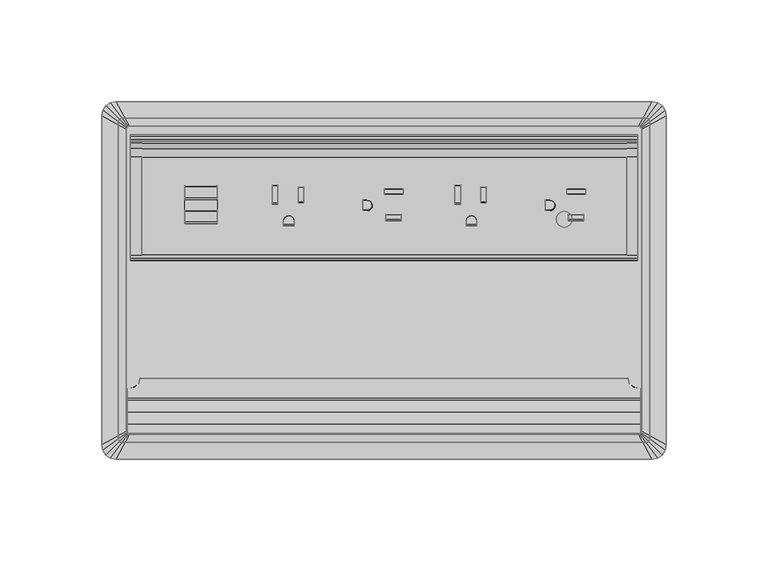
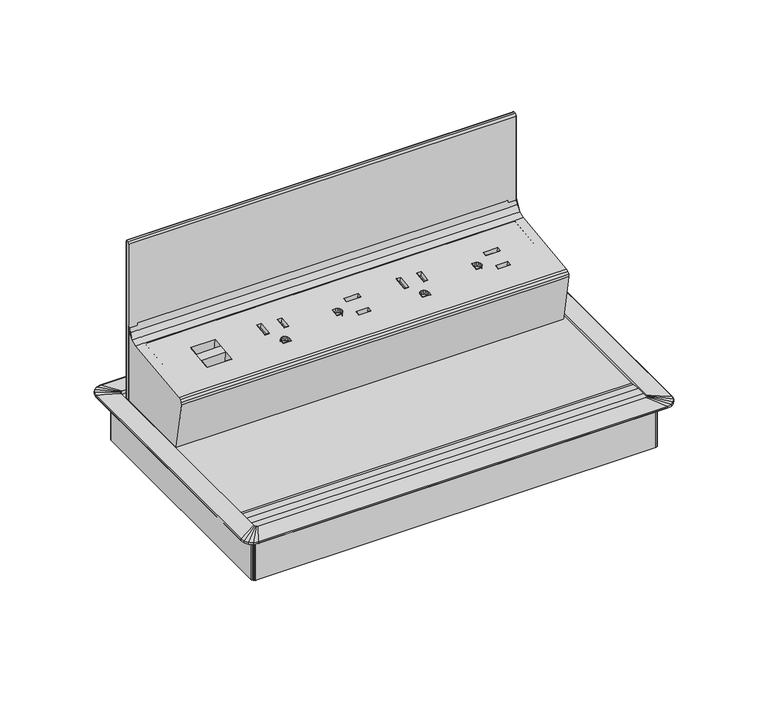
"""IFC4 building model written with IfcOpenShell, lengths in millimetres: furniture geometry."""

from ifc_helpers import new_model, si_unit, origin, place, context, project, spatial, triangles, source, transform, mapped, element, save


def furniture_7f362575(model_context):
    return source(origin(), model_context, "Body", "Tessellation", [
        triangles([(-134.9423265, -3.8735, 0.254), (134.9423265, -3.8735, 0.254), (134.9423265, -155.8620162, 0.254), (-134.9423265, -155.8620162, 0.254)], [[1, 2, 3], [1, 3, 4]], closed=False),
        triangles([(-132.0979053, -168.0413236, 0.508), (-132.0979053, -168.0413236, 1.778), (-134.7758123, -167.5086526, 1.778), (-134.7758123, -167.5086526, 0.508), (-137.0460317, -165.9917394, 1.778), (-137.0460317, -165.9917394, 0.508), (-138.5629358, -163.7215292, 1.778), (-138.5629358, -163.7215292, 0.508), (-139.0956068, -161.0436221, 1.778), (-139.0956068, -161.0436221, 0.508), (-132.0979053, 8.3057998, 0.508), (-132.0979053, 8.3057998, 1.778), (-134.7758123, 7.7731317, 1.778), (-134.7758123, 7.7731317, 0.508), (-137.0460317, 6.2562213, 1.778), (-137.0460317, 6.2562213, 0.508), (-138.5629358, 3.9860039, 1.778), (-138.5629358, 3.9860039, 0.508), (-139.0956068, 1.3081, 1.778), (-139.0956068, 1.3081, 0.508), (132.0979053, 8.3057998, 0.508), (132.0979053, 8.3057998, 1.778), (134.7758123, 7.7731317, 1.778), (134.7758123, 7.7731317, 0.508), (137.0460317, 6.2562213, 1.778), (137.0460317, 6.2562213, 0.508), (138.5629358, 3.9860039, 1.778), (138.5629358, 3.9860039, 0.508), (139.0956068, 1.3081, 1.778), (139.0956068, 1.3081, 0.508), (134.7758123, -167.5086526, 1.778), (132.0979053, -168.0413236, 1.778), (132.0979053, -168.0413236, 0.508), (134.7758123, -167.5086526, 0.508), (137.0460317, -165.9917394, 1.778), (137.0460317, -165.9917394, 0.508), (138.5629358, -163.7215292, 1.778), (138.5629358, -163.7215292, 0.508), (139.0956068, -161.0436221, 1.778), (139.0956068, -161.0436221, 0.508), (125.9755137, -155.7460167, 2.6923999), (125.3923099, -155.8620162, 2.6923999), (126.4699421, -155.415659, 2.6923999), (126.8002999, -154.9212306, 2.6923999), (126.9163084, -154.3380176, 2.6923999), (-125.3923099, -155.8620162, 2.6923999), (-125.9755137, -155.7460167, 2.6923999), (-126.4699421, -155.415659, 2.6923999), (-126.8002999, -154.9212306, 2.6923999), (-126.9163084, -154.3380176, 2.6923999), (-130.7898093, -1.524, 0.508), (-130.6738007, -0.9407904, 0.508), (-130.3434339, -0.4463693, 0.508), (-129.8490146, -0.1160076, 0.508), (-129.2658107, 0.0, 0.508), (-126.9163084, -5.3975, 2.6923999), (-126.8002999, -4.8142904, 2.6923999), (-126.4699421, -4.3198694, 2.6923999), (-125.9755137, -3.9895077, 2.6923999), (-125.3923099, -3.8735, 2.6923999), (125.3923099, -3.8735, 2.6923999), (125.9755137, -3.9895077, 2.6923999), (126.4699421, -4.3198694, 2.6923999), (126.8002999, -4.8142904, 2.6923999), (126.9163084, -5.3975, 2.6923999), (129.2658107, -159.7355261, 0.508), (129.8490146, -159.6195085, 0.508), (130.3434339, -159.2891507, 0.508), (130.6738007, -158.7947223, 0.508), (130.7898093, -158.2115275, 0.508), (-130.7898093, -158.2115275, 0.508), (-130.6738007, -158.7947223, 0.508), (-130.3434339, -159.2891507, 0.508), (-129.8490146, -159.6195085, 0.508), (-129.2658107, -159.7355261, 0.508), (129.8490146, -0.1160076, 0.508), (129.2658107, 0.0, 0.508), (130.3434339, -0.4463693, 0.508), (130.6738007, -0.9407904, 0.508), (130.7898093, -1.524, 0.508), (130.7898093, -158.2115275, -30.4800005), (130.7898093, -1.524, -30.4800005), (130.6738007, -0.9407904, -30.4800005), (130.3434339, -0.4463693, -30.4800005), (129.8490146, -0.1160076, -30.4800005), (129.2658107, 0.0, -30.4800005), (129.2658107, -159.7355261, -30.4800005), (129.8490146, -159.6195085, -30.4800005), (130.3434339, -159.2891507, -30.4800005), (130.6738007, -158.7947223, -30.4800005), (-130.7898093, -158.2115275, -30.4800005), (-130.6738007, -158.7947223, -30.4800005), (-130.3434339, -159.2891507, -30.4800005), (-129.8490146, -159.6195085, -30.4800005), (-129.2658107, -159.7355261, -30.4800005), (-129.2658107, 0.0, -30.4800005), (-130.7898093, -1.524, -30.4800005), (-130.6738007, -0.9407904, -30.4800005), (-130.3434339, -0.4463693, -30.4800005), (-129.8490146, -0.1160076, -30.4800005), (126.9163084, -5.3975, -30.4800005), (126.8002999, -4.8142904, -30.4800005), (126.4699421, -4.3198694, -30.4800005), (125.9755137, -3.9895077, -30.4800005), (125.3923099, -3.8735, -30.4800005), (-125.3923099, -3.8735, -30.4800005), (126.9163084, -154.3380176, -30.4800005), (-126.9163084, -5.3975, -30.4800005), (-126.8002999, -4.8142904, -30.4800005), (-126.4699421, -4.3198694, -30.4800005), (-125.9755137, -3.9895077, -30.4800005), (-126.9163084, -154.3380176, -30.4800005), (125.3923099, -155.8620162, -30.4800005), (-125.3923099, -155.8620162, -30.4800005), (-125.9755137, -155.7460167, -30.4800005), (-126.4699421, -155.415659, -30.4800005), (-126.8002999, -154.9212306, -30.4800005), (126.8002999, -154.9212306, -30.4800005), (126.4699421, -155.415659, -30.4800005), (125.9755137, -155.7460167, -30.4800005), (126.4945409, -149.595838, 0.1368504), (-126.4945409, -149.595838, 0.1368504), (-126.4945409, -144.1407203, -0.004294), (126.4945409, -144.1407203, -0.004294), (-126.4945409, -138.7118548, -0.5571183), (126.4945409, -138.7118548, -0.5571183), (-126.4945409, -133.1702417, -1.5549418), (126.4945409, -133.1702417, -1.5549418), (-126.4945409, -144.8062139, 1.6731391), (-126.4945409, -150.5077009, 1.8986501), (126.4945409, -150.5077009, 1.8986501), (126.4945409, -144.8062139, 1.6731391), (-126.4945409, -139.1403442, 0.9980152), (126.4945409, -139.1403442, 0.9980152), (-126.4945409, -133.1346334, -0.2232637), (126.4945409, -133.1346334, -0.2232637), (126.4945409, -155.234638, 1.8986501), (-126.4945409, -155.234638, 1.8986501), (-126.4945409, -155.234638, -7.5755499), (126.4945409, -155.234638, -7.5755499), (120.017538, -128.0566367, -2.8828355), (120.017538, -128.0566367, -1.6814156), (120.7253527, -130.5956351, -0.9523397), (120.7253527, -130.6134392, -2.2188887), (122.6591373, -132.4543061, -0.418619), (122.6591373, -132.4851454, -1.7328458), (125.3007366, -133.1346334, -0.2232637), (125.3007366, -133.1702417, -1.5549418), (-120.7253527, -130.5956351, -0.9523397), (-120.017538, -128.0566367, -1.6814156), (-120.017538, -128.0566367, -2.8828355), (-120.7253527, -130.6134392, -2.2188887), (-122.6591373, -132.4543061, -0.418619), (-122.6591373, -132.4851454, -1.7328458), (-125.3007366, -133.1346334, -0.2232637), (-125.3007366, -133.1702417, -1.5549418)], [[1, 2, 3], [1, 3, 4], [4, 3, 5], [4, 5, 6], [6, 5, 7], [6, 7, 8], [8, 7, 9], [8, 9, 10], [11, 12, 13], [11, 13, 14], [14, 13, 15], [14, 15, 16], [16, 15, 17], [16, 17, 18], [18, 17, 19], [18, 19, 20], [21, 22, 23], [21, 23, 24], [24, 23, 25], [24, 25, 26], [26, 25, 27], [26, 27, 28], [28, 27, 29], [28, 29, 30], [31, 32, 33], [31, 33, 34], [35, 31, 34], [35, 34, 36], [37, 35, 36], [37, 36, 38], [39, 37, 38], [39, 38, 40], [41, 42, 31], [42, 32, 31], [43, 41, 31], [43, 31, 35], [44, 43, 35], [44, 35, 37], [45, 44, 37], [45, 37, 39], [2, 46, 3], [46, 47, 3], [3, 47, 48], [3, 48, 5], [5, 48, 49], [5, 49, 7], [7, 49, 50], [7, 50, 9], [20, 51, 52], [20, 52, 18], [18, 52, 53], [18, 53, 16], [16, 53, 54], [16, 54, 14], [14, 54, 55], [14, 55, 11], [19, 56, 57], [19, 57, 17], [17, 57, 58], [17, 58, 15], [15, 58, 59], [15, 59, 13], [13, 59, 60], [13, 60, 12], [23, 22, 61], [23, 61, 62], [25, 23, 62], [25, 62, 63], [27, 25, 63], [27, 63, 64], [29, 27, 64], [29, 64, 65], [33, 66, 67], [33, 67, 34], [34, 67, 68], [34, 68, 36], [36, 68, 69], [36, 69, 38], [38, 69, 70], [38, 70, 40], [10, 71, 72], [10, 72, 8], [8, 72, 73], [8, 73, 6], [6, 73, 74], [6, 74, 4], [4, 74, 75], [4, 75, 1], [76, 77, 24], [77, 21, 24], [78, 76, 26], [76, 24, 26], [79, 78, 28], [78, 26, 28], [80, 79, 30], [79, 28, 30], [80, 30, 40], [80, 40, 70], [40, 30, 29], [40, 29, 39], [45, 39, 29], [45, 29, 65], [70, 81, 82], [70, 82, 80], [80, 82, 83], [80, 83, 79], [79, 83, 84], [79, 84, 78], [78, 84, 85], [78, 85, 76], [76, 85, 86], [76, 86, 77], [66, 87, 88], [66, 88, 67], [67, 88, 89], [67, 89, 68], [68, 89, 90], [68, 90, 69], [69, 90, 81], [69, 81, 70], [71, 91, 92], [71, 92, 72], [72, 92, 93], [72, 93, 73], [73, 93, 94], [73, 94, 74], [74, 94, 95], [74, 95, 75], [66, 75, 95], [66, 95, 87], [1, 75, 66], [1, 66, 33], [1, 33, 32], [1, 32, 2], [46, 2, 32], [46, 32, 42], [86, 96, 55], [86, 55, 77], [21, 77, 55], [21, 55, 11], [21, 11, 12], [21, 12, 22], [61, 22, 12], [61, 12, 60], [97, 91, 71], [97, 71, 51], [20, 51, 71], [20, 71, 10], [20, 10, 9], [20, 9, 19], [56, 19, 9], [56, 9, 50], [98, 97, 51], [98, 51, 52], [99, 98, 52], [99, 52, 53], [100, 99, 53], [100, 53, 54], [96, 100, 54], [96, 54, 55], [101, 65, 64], [101, 64, 102], [102, 64, 63], [102, 63, 103], [103, 63, 62], [103, 62, 104], [104, 62, 61], [104, 61, 105], [105, 61, 60], [105, 60, 106], [101, 107, 45], [101, 45, 65], [56, 108, 109], [56, 109, 57], [57, 109, 110], [57, 110, 58], [58, 110, 111], [58, 111, 59], [59, 111, 106], [59, 106, 60], [108, 56, 50], [108, 50, 112], [42, 113, 114], [42, 114, 46], [46, 114, 115], [46, 115, 47], [47, 115, 116], [47, 116, 48], [48, 116, 117], [48, 117, 49], [49, 117, 112], [49, 112, 50], [45, 107, 118], [45, 118, 44], [44, 118, 119], [44, 119, 43], [43, 119, 120], [43, 120, 41], [41, 120, 113], [41, 113, 42], [96, 106, 111], [96, 111, 100], [100, 111, 110], [100, 110, 99], [99, 110, 109], [99, 109, 98], [98, 109, 108], [98, 108, 97], [92, 91, 112], [92, 112, 117], [93, 92, 117], [93, 117, 116], [94, 93, 116], [94, 116, 115], [95, 94, 115], [95, 115, 114], [107, 81, 90], [107, 90, 118], [118, 90, 89], [118, 89, 119], [119, 89, 88], [119, 88, 120], [120, 88, 87], [120, 87, 113], [105, 86, 85], [105, 85, 104], [104, 85, 84], [104, 84, 103], [103, 84, 83], [103, 83, 102], [102, 83, 82], [102, 82, 101], [106, 96, 86], [106, 86, 105], [101, 82, 81], [101, 81, 107], [113, 87, 95], [113, 95, 114], [112, 91, 97], [112, 97, 108], [121, 122, 123], [121, 123, 124], [124, 123, 125], [124, 125, 126], [126, 125, 127], [126, 127, 128], [129, 130, 131], [129, 131, 132], [133, 129, 132], [133, 132, 134], [135, 133, 134], [135, 134, 136], [137, 131, 130], [137, 130, 138], [137, 138, 139], [137, 139, 140], [141, 142, 143], [141, 143, 144], [144, 143, 145], [144, 145, 146], [146, 145, 147], [146, 147, 148], [149, 150, 151], [149, 151, 152], [153, 149, 152], [153, 152, 154], [155, 153, 154], [155, 154, 156], [143, 142, 150], [143, 150, 149], [145, 143, 149], [145, 149, 153], [147, 145, 153], [147, 153, 155], [152, 151, 141], [152, 141, 144], [154, 152, 144], [154, 144, 146], [156, 154, 146], [156, 146, 148], [147, 136, 128], [147, 128, 148], [155, 156, 127], [155, 127, 135], [126, 128, 136], [126, 136, 134], [126, 134, 132], [126, 132, 124], [121, 124, 132], [121, 132, 131], [121, 131, 137], [121, 137, 140], [139, 138, 130], [139, 130, 122], [123, 122, 130], [123, 130, 129], [123, 129, 133], [123, 133, 125], [127, 125, 133], [127, 133, 135], [150, 142, 151], [142, 141, 151]], closed=False),
        triangles([(-82.2362595, -45.5992198, 39.4151859), (-82.2362595, -39.9615097, 40.1074129), (-98.1112625, -45.5992198, 39.4151859), (-98.1112625, -39.9615097, 40.1074129), (-98.1112625, -44.7324849, 32.3561986), (-98.1112625, -51.0352933, 31.5823133), (-82.2362595, -44.7324849, 32.3561986), (-82.2362595, -51.0351525, 31.5823292), (-98.1112625, -32.7921072, 33.8222928), (-98.1112625, -39.0949157, 33.0484052), (-82.2362595, -32.7921072, 33.8222928), (-82.2362595, -39.0947749, 33.0484233), (-82.2362595, -51.9018874, 38.6413187), (-98.1112625, -51.9018874, 38.6413187), (-82.2362595, -33.6588421, 40.8812801), (-98.1112625, -33.6588421, 40.8812801)], [[1, 2, 3], [2, 4, 3], [5, 6, 7], [6, 8, 7], [9, 10, 11], [10, 12, 11], [7, 8, 13], [7, 13, 1], [7, 1, 3], [7, 3, 5], [6, 5, 14], [5, 3, 14], [6, 14, 8], [14, 13, 8], [11, 12, 2], [11, 2, 15], [11, 15, 16], [11, 16, 9], [10, 9, 4], [9, 16, 4], [10, 4, 12], [4, 2, 12]], closed=False),
        triangles([(-42.3011607, -33.9621303, 40.8464893), (-42.3011607, -33.6062268, 37.947904), (-39.456358, -33.6062268, 37.947904), (-39.456358, -33.9621303, 40.8464893), (-42.3011607, -41.5757508, 39.9116536), (-42.3011607, -41.2198495, 37.0130683), (-39.456358, -41.5757508, 39.9116536), (-39.456358, -41.2198495, 37.0130683), (-44.2823579, -50.5759645, 38.8065702), (-44.2823579, -50.2200587, 35.9079804), (-44.2823579, -52.4638126, 35.6324839), (-44.2823579, -52.8197138, 38.5310693), (-44.4815055, -49.5822479, 38.9285831), (-44.4815055, -49.2263467, 36.0299933), (-45.0486266, -48.7398211, 39.0320198), (-45.0486266, -48.3839153, 36.1334322), (-45.8973847, -48.176924, 39.1011335), (-45.8973847, -47.8210227, 36.2025459), (-46.8985591, -47.9792616, 39.1254053), (-46.8985591, -47.6233604, 36.2268154), (-47.899738, -48.176924, 39.1011335), (-47.899738, -47.8210227, 36.2025459), (-48.7484916, -48.7398211, 39.0320198), (-48.7484916, -48.3839153, 36.1334322), (-49.3156126, -49.5822479, 38.9285831), (-49.3156126, -49.2263467, 36.0299933), (-49.5147602, -50.5759645, 38.8065702), (-49.5147602, -50.2200587, 35.9079804), (-49.5147602, -52.8197138, 38.5310693), (-49.5147602, -52.4638126, 35.6324839), (-52.2071604, -42.2312295, 39.8311716), (-52.2071604, -41.8753282, 36.9325862), (-55.0519585, -41.8753282, 36.9325862), (-55.0519585, -42.2312295, 39.8311716), (-52.2071604, -33.0545458, 40.9579288), (-52.2071604, -32.6986446, 38.0593411), (-55.0519585, -33.0545458, 40.9579288), (-55.0519585, -32.6986446, 38.0593411), (47.6148398, -33.9621303, 40.8464893), (47.6148398, -33.6062268, 37.947904), (50.459638, -33.6062268, 37.947904), (50.459638, -33.9621303, 40.8464893), (47.6148398, -41.5757508, 39.9116536), (47.6148398, -41.2198495, 37.0130683), (50.459638, -41.5757508, 39.9116536), (50.459638, -41.2198495, 37.0130683), (45.6336381, -50.5759645, 38.8065702), (45.6336381, -50.2200587, 35.9079804), (45.6336381, -52.4638126, 35.6324839), (45.6336381, -52.8197138, 38.5310693), (45.4344951, -49.5822479, 38.9285831), (45.4344951, -49.2263467, 36.0299933), (44.867374, -48.7398211, 39.0320198), (44.867374, -48.3839153, 36.1334322), (44.0186158, -48.176924, 39.1011335), (44.0186158, -47.8210227, 36.2025459), (43.0174415, -47.9792616, 39.1254053), (43.0174415, -47.6233604, 36.2268154), (42.0162626, -48.176924, 39.1011335), (42.0162626, -47.8210227, 36.2025459), (41.167509, -48.7398211, 39.0320198), (41.167509, -48.3839153, 36.1334322), (40.6003879, -49.5822479, 38.9285831), (40.6003879, -49.2263467, 36.0299933), (40.4012403, -50.5759645, 38.8065702), (40.4012403, -50.2200587, 35.9079804), (40.4012403, -52.8197138, 38.5310693), (40.4012403, -52.4638126, 35.6324839), (37.7088402, -42.2312295, 39.8311716), (37.7088402, -41.8753282, 36.9325862), (34.8640397, -41.8753282, 36.9325862), (34.8640397, -42.2312295, 39.8311716), (37.7088402, -33.0545458, 40.9579288), (37.7088402, -32.6986446, 38.0593411), (34.8640397, -33.0545458, 40.9579288), (34.8640397, -32.6986446, 38.0593411), (8.4480399, -47.5097908, 39.1936787), (8.4480399, -47.1538896, 36.2950888), (8.4480399, -50.3333876, 38.8469838), (8.4480399, -49.9774863, 35.9483962), (0.77724, -47.5097908, 39.1936787), (0.77724, -47.1538896, 36.2950888), (0.77724, -50.3333876, 38.8469838), (0.77724, -49.9774863, 35.9483962), (-8.2905601, -45.5433593, 39.4351247), (-8.2905601, -45.187458, 36.5365371), (-10.5511603, -45.5433593, 39.4351247), (-10.5511603, -45.187458, 36.5365371), (-7.2893835, -45.3456969, 39.4593965), (-7.2893835, -44.9897957, 36.5608066), (-6.440627, -44.7828043, 39.5285102), (-6.440627, -44.4269031, 36.6299226), (-5.8735065, -43.940373, 39.6319468), (-5.8735065, -43.5844717, 36.7333592), (-5.6743601, -42.9466609, 39.7539597), (-5.6743601, -42.5907597, 36.8553721), (-5.8735065, -41.9529443, 39.8759726), (-5.8735065, -41.5970431, 36.977385), (-6.440627, -41.1105175, 39.9794093), (-6.440627, -40.7546163, 37.0808217), (-7.2893835, -40.5476204, 40.048523), (-7.2893835, -40.1917192, 37.1499376), (-8.2905601, -40.3499626, 40.0727947), (-8.2905601, -39.9940568, 37.1742071), (-10.5511603, -40.3499626, 40.0727947), (-10.5511603, -39.9940568, 37.1742071), (0.11684, -37.6776284, 40.4009133), (0.11684, -37.3217272, 37.502328), (0.11684, -34.4981327, 37.8490206), (0.11684, -34.854034, 40.7476082), (9.3624401, -37.6776284, 40.4009133), (9.3624401, -37.3217272, 37.502328), (9.3624401, -34.854034, 40.7476082), (9.3624401, -34.4981327, 37.8490206), (98.3640359, -47.5097908, 39.1936787), (98.3640359, -47.1538896, 36.2950888), (98.3640359, -50.3333876, 38.8469838), (98.3640359, -49.9774863, 35.9483962), (90.6932378, -47.5097908, 39.1936787), (90.6932378, -47.1538896, 36.2950888), (90.6932378, -50.3333876, 38.8469838), (90.6932378, -49.9774863, 35.9483962), (81.625441, -45.5433593, 39.4351247), (81.625441, -45.187458, 36.5365371), (79.3648413, -45.187458, 36.5365371), (79.3648413, -45.5433593, 39.4351247), (82.6266154, -45.3456969, 39.4593965), (82.6266154, -44.9897957, 36.5608066), (83.4753735, -44.7828043, 39.5285102), (83.4753735, -44.4269031, 36.6299226), (84.0424901, -43.940373, 39.6319468), (84.0424901, -43.5844717, 36.7333592), (84.2416421, -42.9466609, 39.7539597), (84.2416421, -42.5907597, 36.8553721), (84.0424901, -41.9529443, 39.8759726), (84.0424901, -41.5970431, 36.977385), (83.4753735, -41.1105175, 39.9794093), (83.4753735, -40.7546163, 37.0808217), (82.6266154, -40.5476204, 40.048523), (82.6266154, -40.1917192, 37.1499376), (81.625441, -40.3499626, 40.0727947), (81.625441, -39.9940568, 37.1742071), (79.3648413, -40.3499626, 40.0727947), (79.3648413, -39.9940568, 37.1742071), (90.0328403, -37.6776284, 40.4009133), (90.0328403, -37.3217272, 37.502328), (90.0328403, -34.4981327, 37.8490206), (90.0328403, -34.854034, 40.7476082), (99.2784423, -37.6776284, 40.4009133), (99.2784423, -37.3217272, 37.502328), (99.2784423, -34.854034, 40.7476082), (99.2784423, -34.4981327, 37.8490206)], [[1, 2, 3], [1, 3, 4], [5, 6, 2], [5, 2, 1], [7, 8, 5], [8, 6, 5], [4, 3, 7], [3, 8, 7], [9, 10, 11], [9, 11, 12], [13, 14, 10], [13, 10, 9], [15, 16, 13], [16, 14, 13], [17, 18, 16], [17, 16, 15], [19, 20, 18], [19, 18, 17], [21, 22, 20], [21, 20, 19], [23, 24, 22], [23, 22, 21], [25, 26, 24], [25, 24, 23], [27, 28, 26], [27, 26, 25], [29, 30, 28], [29, 28, 27], [12, 11, 29], [11, 30, 29], [31, 32, 33], [31, 33, 34], [35, 36, 31], [36, 32, 31], [37, 38, 36], [37, 36, 35], [34, 33, 38], [34, 38, 37], [39, 40, 41], [39, 41, 42], [43, 44, 40], [43, 40, 39], [45, 46, 44], [45, 44, 43], [42, 41, 45], [41, 46, 45], [47, 48, 49], [47, 49, 50], [51, 52, 48], [51, 48, 47], [53, 54, 52], [53, 52, 51], [55, 56, 54], [55, 54, 53], [57, 58, 56], [57, 56, 55], [59, 60, 58], [59, 58, 57], [61, 62, 59], [62, 60, 59], [63, 64, 62], [63, 62, 61], [65, 66, 64], [65, 64, 63], [67, 68, 66], [67, 66, 65], [50, 49, 68], [50, 68, 67], [69, 70, 71], [69, 71, 72], [73, 74, 69], [74, 70, 69], [75, 76, 73], [76, 74, 73], [72, 71, 76], [72, 76, 75], [77, 78, 79], [78, 80, 79], [81, 82, 78], [81, 78, 77], [83, 84, 82], [83, 82, 81], [79, 80, 84], [79, 84, 83], [85, 86, 87], [86, 88, 87], [89, 90, 85], [90, 86, 85], [91, 92, 90], [91, 90, 89], [93, 94, 92], [93, 92, 91], [95, 96, 94], [95, 94, 93], [97, 98, 96], [97, 96, 95], [99, 100, 98], [99, 98, 97], [101, 102, 99], [102, 100, 99], [103, 104, 102], [103, 102, 101], [105, 106, 104], [105, 104, 103], [87, 88, 106], [87, 106, 105], [107, 108, 109], [107, 109, 110], [111, 112, 108], [111, 108, 107], [113, 114, 111], [114, 112, 111], [110, 109, 114], [110, 114, 113], [115, 116, 117], [116, 118, 117], [119, 120, 115], [120, 116, 115], [121, 122, 120], [121, 120, 119], [117, 118, 122], [117, 122, 121], [123, 124, 125], [123, 125, 126], [127, 128, 124], [127, 124, 123], [129, 130, 128], [129, 128, 127], [131, 132, 130], [131, 130, 129], [133, 134, 132], [133, 132, 131], [135, 136, 134], [135, 134, 133], [137, 138, 136], [137, 136, 135], [139, 140, 138], [139, 138, 137], [141, 142, 140], [141, 140, 139], [143, 144, 142], [143, 142, 141], [126, 125, 144], [126, 144, 143], [145, 146, 147], [145, 147, 148], [149, 150, 146], [149, 146, 145], [151, 152, 149], [152, 150, 149], [148, 147, 151], [147, 152, 151]], closed=False),
        triangles([(84.8103029, -58.0140552, -40.1071131), (85.1119288, -57.8647093, -41.6234586), (85.1119288, -67.4859107, -41.6234586), (84.8103029, -67.4859107, -40.1071131), (85.9708698, -57.7381, -42.9089543), (85.9708698, -67.4859107, -42.9089543), (87.2563655, -57.6534985, -43.7678953), (87.2563655, -67.4859107, -43.7678953), (88.7727064, -57.6237947, -44.0695121), (88.7727064, -67.4859107, -44.0695121), (90.2890564, -57.6534985, -43.7678953), (90.2890564, -67.4859107, -43.7678953), (91.574543, -57.7381, -42.9089543), (91.574543, -67.4859107, -42.9089543), (92.4334841, -57.8647093, -41.6234586), (92.4334841, -67.4859107, -41.6234586), (92.7351099, -58.0140552, -40.1071131), (92.7351099, -67.4859107, -40.1071131), (92.4334841, -58.1634011, -38.5907676), (92.4334841, -67.4859107, -38.5907676), (91.574543, -58.2900149, -37.305272), (91.574543, -67.4859107, -37.305272), (90.2890564, -58.3746118, -36.4463332), (90.2890564, -67.4859107, -36.4463332), (88.7727064, -58.4043157, -36.1447119), (88.7727064, -67.4859107, -36.1447119), (87.2563655, -58.3746118, -36.4463332), (87.2563655, -67.4859107, -36.4463332), (85.9708698, -58.2900149, -37.305272), (85.9708698, -67.4859107, -37.305272), (85.1119288, -58.1634011, -38.5907676), (85.1119288, -67.4859107, -38.5907676), (84.8103029, -54.8550047, -39.4787403), (85.1119288, -54.2633575, -40.9071052), (85.9708698, -53.7617802, -42.1180142), (87.2563655, -53.4266399, -42.9271172), (88.7727064, -53.3089508, -43.2112387), (90.2890564, -53.4266399, -42.9271172), (91.574543, -53.7617802, -42.1180142), (92.4334841, -54.2633575, -40.9071052), (92.7351099, -54.8550047, -39.4787403), (92.4334841, -55.4466519, -38.0503732), (91.574543, -55.9482292, -36.8394619), (90.2890564, -56.2833696, -36.0303589), (88.7727064, -56.4010541, -35.7462397), (87.2563655, -56.2833696, -36.0303589), (85.9708698, -55.9482292, -36.8394619), (85.1119288, -55.4466519, -38.0503732), (84.8103029, -52.1768888, -37.6892783), (85.1119288, -51.0836643, -38.7825029), (85.9708698, -50.1568767, -39.7092949), (87.2563655, -49.5376149, -40.3285567), (88.7727064, -49.3201591, -40.5460126), (90.2890564, -49.5376149, -40.3285567), (91.574543, -50.1568767, -39.7092949), (92.4334841, -51.0836643, -38.7825029), (92.7351099, -52.1768888, -37.6892783), (92.4334841, -53.2701133, -36.5960561), (91.574543, -54.1969054, -35.6692663), (90.2890564, -54.8161626, -35.0500045), (88.7727064, -55.0336185, -34.8325486), (87.2563655, -54.8161626, -35.0500045), (85.9708698, -54.1969054, -35.6692663), (85.1119288, -53.2701133, -36.5960561), (85.1119288, -48.9590665, -35.6028119), (84.8103029, -50.3874313, -35.0111646), (85.9708698, -47.7481529, -36.1043892), (87.2563655, -46.9390499, -36.4395295), (88.7727064, -46.6549329, -36.5572163), (90.2890564, -46.9390499, -36.4395295), (91.574543, -47.7481529, -36.1043892), (92.4334841, -48.9590665, -35.6028119), (92.7351099, -50.3874313, -35.0111646), (92.4334841, -51.8157962, -34.4195152), (91.574543, -53.0267052, -33.9179401), (90.2890564, -53.8358082, -33.5827998), (88.7727064, -54.1199297, -33.465113), (87.2563655, -53.8358082, -33.5827998), (85.9708698, -53.0267052, -33.9179401), (85.1119288, -51.8157962, -34.4195152), (84.8103029, -49.759054, -31.8521119), (85.1119288, -48.242713, -32.0014601), (85.9708698, -46.9572174, -32.1280694), (87.2563655, -46.0982763, -32.2126686), (88.7727064, -45.796655, -32.2423747), (90.2890564, -46.0982763, -32.2126686), (91.574543, -46.9572174, -32.1280694), (92.4334841, -48.242713, -32.0014601), (92.7351099, -49.759054, -31.8521119), (92.4334841, -51.2753995, -31.702766), (91.574543, -52.5608951, -31.5761567), (90.2890564, -53.4198362, -31.4915575), (88.7727064, -53.7214575, -31.4618514), (87.2563655, -53.4198362, -31.4915575), (85.9708698, -52.5608951, -31.5761567), (85.1119288, -51.2753995, -31.702766), (84.8103029, -49.759054, -14.7071124), (85.1119288, -48.242713, -14.7071124), (85.9708698, -46.9572174, -14.7071124), (87.2563655, -46.0982763, -14.7071124), (88.7727064, -45.796655, -14.7071124), (90.2890564, -46.0982763, -14.7071124), (91.574543, -46.9572174, -14.7071124), (92.4334841, -48.242713, -14.7071124), (92.7351099, -49.759054, -14.7071124), (92.4334841, -51.2753995, -14.7071124), (91.574543, -52.5608951, -14.7071124), (90.2890564, -53.4198362, -14.7071124), (88.7727064, -53.7214575, -14.7071124), (87.2563655, -53.4198362, -14.7071124), (85.9708698, -52.5608951, -14.7071124), (85.1119288, -51.2753995, -14.7071124), (-124.9070379, -60.8742776, -16.1619734), (-119.4079368, -60.8742776, -16.1619734), (-119.4079368, -70.067907, 33.2615667), (-124.9070379, -70.067907, 33.2615667), (-124.9070379, -67.294448, 36.7927397), (-119.4079368, -67.294448, 36.7927397), (-119.4079368, -19.0310445, 42.5932032), (-124.9070379, -19.0310445, 42.5932032), (-119.4079368, -11.1123656, -18.9581179), (-119.4079368, -57.7219582, -18.9581179), (-124.9070379, -57.7219582, -18.9581179), (-124.9070379, -11.1123656, -18.9581179), (-124.9070379, -11.1123656, 51.5205607), (-119.4079368, -11.1123656, 51.5205607), (-119.4079368, -15.0021775, 44.116466), (-124.9070379, -15.0021775, 44.116466), (-124.9070379, -12.1440001, 47.3387166), (-119.4079368, -12.1440001, 47.3387166), (-119.4079368, -68.81985, 36.1809811), (-124.9070379, -68.81985, 36.1809811), (-119.4079368, -69.8350088, 34.8884818), (-124.9070379, -69.8350088, 34.8884818), (-119.4079368, -59.1985986, -18.5938403), (-124.9070379, -59.1985986, -18.5938403), (-124.9070379, -60.3364016, -17.5845962), (-119.4079368, -60.3364016, -17.5845962), (124.932436, -9.5248654, -18.5327487), (124.932436, -11.1123656, -18.9581179), (-124.9070379, -9.5248654, -18.5327487), (124.932436, -8.3627345, -17.3706171), (-124.9070379, -8.3627345, -17.3706171), (124.932436, -7.9373653, -15.7831175), (-124.9070379, -7.9373653, -15.7831175), (119.433344, -11.1123656, 51.5205607), (119.433344, -12.1440001, 47.3387166), (119.433344, -15.0021775, 44.116466), (119.433344, -19.0310445, 42.5932032), (119.433344, -68.81985, 36.1809811), (119.433344, -67.294448, 36.7927397), (119.433344, -69.8350088, 34.8884818), (119.433344, -70.067907, 33.2615667), (-124.9070379, -7.9373653, 107.2417826), (124.932436, -7.9373653, 107.2417826), (124.932436, -11.1123656, 107.2417826), (-124.9070379, -8.7311151, 108.6165987), (124.932436, -8.7311151, 108.6165987), (-124.9070379, -10.3186153, 108.6165987), (124.932436, -10.3186153, 108.6165987), (-124.9070379, -11.1123656, 107.2417826), (124.932436, -11.1123656, 51.5205607), (119.433344, -60.8742776, -16.1619734), (119.433344, -60.3364016, -17.5845962), (119.433344, -59.1985986, -18.5938403), (119.433344, -57.7219582, -18.9581179), (119.433344, -11.1123656, -18.9581179), (124.932436, -70.067907, 33.2615667), (124.932436, -60.8742776, -16.1619734), (124.932436, -19.0310445, 42.5932032), (124.932436, -67.294448, 36.7927397), (124.932436, -57.7219582, -18.9581179), (124.932436, -15.0021775, 44.116466), (124.932436, -12.1440001, 47.3387166), (124.932436, -68.81985, 36.1809811), (124.932436, -69.8350088, 34.8884818), (124.932436, -59.1985986, -18.5938403), (124.932436, -60.3364016, -17.5845962), (119.433344, -66.9439107, 36.8348678), (-119.4079368, -66.9439107, 36.8348678), (-119.4079368, -19.3815818, 42.5510728), (119.433344, -19.3815818, 42.5510728), (-119.4079368, -19.210855, 41.1603056), (-119.4079368, -66.7581844, 35.3222262), (119.433344, -66.7581844, 35.3222262), (119.433344, -19.210855, 41.1603056), (-58.2015619, -56.3492086, 38.0977041), (-58.2015619, -29.3737885, 41.4098679), (-82.2362595, -51.9018874, 38.6413187), (-82.2362595, -33.6588421, 40.8812801), (-14.1071604, -54.1654075, 38.3764684), (-14.1071604, -31.7279098, 41.131451), (-35.5955608, -29.3737885, 41.4098679), (-35.5955608, -56.3492086, 38.0977041), (-39.456358, -41.5757508, 39.9116536), (-39.456358, -33.9621303, 40.8464893), (-42.3011607, -41.5757508, 39.9116536), (-42.3011607, -33.9621303, 40.8464893), (-52.2071604, -42.2312295, 39.8311716), (-52.2071604, -33.0545458, 40.9579288), (-55.0519585, -33.0545458, 40.9579288), (-55.0519585, -42.2312295, 39.8311716), (-49.3156126, -49.5822479, 38.9285831), (-49.5147602, -50.5759645, 38.8065702), (-49.5147602, -52.8197138, 38.5310693), (-44.2823579, -52.8197138, 38.5310693), (-44.2823579, -50.5759645, 38.8065702), (-44.4815055, -49.5822479, 38.9285831), (-45.0486266, -48.7398211, 39.0320198), (-45.8973847, -48.176924, 39.1011335), (-46.8985591, -47.9792616, 39.1254053), (-48.7484916, -48.7398211, 39.0320198), (-47.899738, -48.176924, 39.1011335), (31.7144409, -56.3492086, 38.0977041), (31.7144409, -29.3737885, 41.4098679), (13.0708398, -31.7279098, 41.131451), (13.0708398, -54.1654075, 38.3764684), (75.8088402, -54.1654075, 38.3764684), (75.8088402, -31.7279098, 41.131451), (54.3204398, -29.3737885, 41.4098679), (54.3204398, -56.3492086, 38.0977041), (50.459638, -41.5757508, 39.9116536), (50.459638, -33.9621303, 40.8464893), (47.6148398, -41.5757508, 39.9116536), (47.6148398, -33.9621303, 40.8464893), (37.7088402, -33.0545458, 40.9579288), (37.7088402, -42.2312295, 39.8311716), (34.8640397, -33.0545458, 40.9579288), (34.8640397, -42.2312295, 39.8311716), (40.6003879, -49.5822479, 38.9285831), (40.4012403, -50.5759645, 38.8065702), (40.4012403, -52.8197138, 38.5310693), (45.6336381, -52.8197138, 38.5310693), (45.6336381, -50.5759645, 38.8065702), (45.4344951, -49.5822479, 38.9285831), (44.867374, -48.7398211, 39.0320198), (44.0186158, -48.176924, 39.1011335), (43.0174415, -47.9792616, 39.1254053), (41.167509, -48.7398211, 39.0320198), (42.0162626, -48.176924, 39.1011335), (0.77724, -50.3333876, 38.8469838), (8.4480399, -50.3333876, 38.8469838), (0.77724, -47.5097908, 39.1936787), (8.4480399, -47.5097908, 39.1936787), (9.3624401, -37.6776284, 40.4009133), (0.11684, -37.6776284, 40.4009133), (9.3624401, -34.854034, 40.7476082), (0.11684, -34.854034, 40.7476082), (-7.2893835, -40.5476204, 40.048523), (-8.2905601, -40.3499626, 40.0727947), (-10.5511603, -40.3499626, 40.0727947), (-10.5511603, -45.5433593, 39.4351247), (-8.2905601, -45.5433593, 39.4351247), (-7.2893835, -45.3456969, 39.4593965), (-6.440627, -44.7828043, 39.5285102), (-5.8735065, -43.940373, 39.6319468), (-5.6743601, -42.9466609, 39.7539597), (-6.440627, -41.1105175, 39.9794093), (-5.8735065, -41.9529443, 39.8759726), (90.6932378, -50.3333876, 38.8469838), (102.986837, -54.1654075, 38.3764684), (98.3640359, -50.3333876, 38.8469838), (90.6932378, -47.5097908, 39.1936787), (98.3640359, -47.5097908, 39.1936787), (99.2784423, -37.6776284, 40.4009133), (90.0328403, -37.6776284, 40.4009133), (99.2784423, -34.854034, 40.7476082), (102.986837, -31.7279098, 41.131451), (90.0328403, -34.854034, 40.7476082), (82.6266154, -40.5476204, 40.048523), (81.625441, -40.3499626, 40.0727947), (79.3648413, -40.3499626, 40.0727947), (79.3648413, -45.5433593, 39.4351247), (81.625441, -45.5433593, 39.4351247), (82.6266154, -45.3456969, 39.4593965), (83.4753735, -44.7828043, 39.5285102), (84.0424901, -43.940373, 39.6319468), (84.2416421, -42.9466609, 39.7539597), (83.4753735, -41.1105175, 39.9794093), (84.0424901, -41.9529443, 39.8759726), (-98.1112625, -51.9018874, 38.6413187), (-98.1112625, -33.6588421, 40.8812801)], [[1, 2, 3], [1, 3, 4], [2, 5, 6], [2, 6, 3], [5, 7, 8], [5, 8, 6], [7, 9, 10], [7, 10, 8], [9, 11, 12], [9, 12, 10], [11, 13, 14], [11, 14, 12], [13, 15, 16], [13, 16, 14], [15, 17, 16], [17, 18, 16], [17, 19, 18], [19, 20, 18], [19, 21, 20], [21, 22, 20], [21, 23, 22], [23, 24, 22], [23, 25, 24], [25, 26, 24], [25, 27, 26], [27, 28, 26], [27, 29, 28], [29, 30, 28], [29, 31, 30], [31, 32, 30], [31, 1, 4], [31, 4, 32], [2, 1, 33], [2, 33, 34], [5, 2, 34], [5, 34, 35], [7, 5, 35], [7, 35, 36], [9, 7, 36], [9, 36, 37], [11, 9, 37], [11, 37, 38], [13, 11, 38], [13, 38, 39], [15, 13, 39], [15, 39, 40], [17, 15, 41], [15, 40, 41], [19, 17, 41], [19, 41, 42], [21, 19, 42], [21, 42, 43], [23, 21, 43], [23, 43, 44], [25, 23, 44], [25, 44, 45], [27, 25, 45], [27, 45, 46], [29, 27, 46], [29, 46, 47], [31, 29, 48], [29, 47, 48], [1, 31, 48], [1, 48, 33], [34, 33, 49], [34, 49, 50], [35, 34, 50], [35, 50, 51], [36, 35, 51], [36, 51, 52], [37, 36, 52], [37, 52, 53], [38, 37, 53], [38, 53, 54], [39, 38, 54], [39, 54, 55], [40, 39, 55], [40, 55, 56], [41, 40, 56], [41, 56, 57], [42, 41, 58], [41, 57, 58], [43, 42, 58], [43, 58, 59], [44, 43, 59], [44, 59, 60], [45, 44, 60], [45, 60, 61], [46, 45, 61], [46, 61, 62], [47, 46, 62], [47, 62, 63], [48, 47, 63], [48, 63, 64], [33, 48, 49], [48, 64, 49], [50, 49, 65], [49, 66, 65], [51, 50, 65], [51, 65, 67], [52, 51, 67], [52, 67, 68], [53, 52, 68], [53, 68, 69], [54, 53, 69], [54, 69, 70], [55, 54, 70], [55, 70, 71], [56, 55, 71], [56, 71, 72], [57, 56, 72], [57, 72, 73], [58, 57, 73], [58, 73, 74], [59, 58, 75], [58, 74, 75], [60, 59, 75], [60, 75, 76], [61, 60, 76], [61, 76, 77], [62, 61, 77], [62, 77, 78], [63, 62, 78], [63, 78, 79], [64, 63, 79], [64, 79, 80], [49, 64, 80], [49, 80, 66], [65, 66, 81], [65, 81, 82], [67, 65, 82], [67, 82, 83], [68, 67, 83], [68, 83, 84], [69, 68, 84], [69, 84, 85], [70, 69, 85], [70, 85, 86], [71, 70, 86], [71, 86, 87], [72, 71, 87], [72, 87, 88], [73, 72, 88], [73, 88, 89], [74, 73, 89], [74, 89, 90], [75, 74, 91], [74, 90, 91], [76, 75, 91], [76, 91, 92], [77, 76, 92], [77, 92, 93], [78, 77, 93], [78, 93, 94], [79, 78, 94], [79, 94, 95], [80, 79, 95], [80, 95, 96], [66, 80, 96], [66, 96, 81], [82, 81, 97], [82, 97, 98], [83, 82, 98], [83, 98, 99], [84, 83, 99], [84, 99, 100], [85, 84, 100], [85, 100, 101], [86, 85, 101], [86, 101, 102], [87, 86, 102], [87, 102, 103], [88, 87, 103], [88, 103, 104], [89, 88, 104], [89, 104, 105], [90, 89, 105], [90, 105, 106], [91, 90, 106], [91, 106, 107], [92, 91, 107], [92, 107, 108], [93, 92, 108], [93, 108, 109], [94, 93, 109], [94, 109, 110], [95, 94, 110], [95, 110, 111], [96, 95, 111], [96, 111, 112], [81, 96, 112], [81, 112, 97], [113, 114, 115], [113, 115, 116], [117, 118, 119], [117, 119, 120], [121, 122, 123], [121, 123, 124], [121, 124, 125], [121, 125, 126], [120, 119, 127], [120, 127, 128], [128, 127, 129], [127, 130, 129], [129, 130, 125], [130, 126, 125], [131, 118, 132], [118, 117, 132], [133, 131, 132], [133, 132, 134], [115, 133, 134], [115, 134, 116], [123, 122, 135], [123, 135, 136], [136, 135, 137], [135, 138, 137], [137, 138, 113], [138, 114, 113], [139, 140, 124], [139, 124, 141], [142, 139, 141], [142, 141, 143], [144, 142, 143], [144, 143, 145], [146, 126, 130], [146, 130, 147], [147, 130, 127], [147, 127, 148], [148, 127, 119], [148, 119, 149], [150, 151, 118], [150, 118, 131], [152, 150, 131], [152, 131, 133], [153, 152, 133], [153, 133, 115], [145, 154, 155], [145, 155, 144], [155, 156, 140], [155, 140, 144], [142, 144, 139], [144, 140, 139], [155, 154, 157], [155, 157, 158], [158, 157, 159], [158, 159, 160], [160, 159, 161], [160, 161, 156], [160, 156, 158], [156, 155, 158], [161, 159, 157], [161, 157, 154], [161, 154, 145], [161, 145, 124], [141, 124, 145], [141, 145, 143], [161, 125, 162], [161, 162, 156], [163, 153, 115], [163, 115, 114], [163, 114, 138], [163, 138, 164], [165, 164, 138], [165, 138, 135], [165, 135, 122], [165, 122, 166], [167, 166, 122], [167, 122, 121], [129, 125, 128], [125, 124, 128], [120, 128, 124], [120, 124, 123], [117, 120, 132], [120, 123, 132], [132, 123, 136], [132, 136, 137], [134, 132, 116], [132, 137, 116], [137, 113, 116], [168, 153, 163], [168, 163, 169], [170, 149, 151], [170, 151, 171], [140, 172, 166], [140, 166, 167], [146, 162, 140], [146, 140, 167], [173, 148, 149], [173, 149, 170], [174, 147, 148], [174, 148, 173], [162, 146, 147], [162, 147, 174], [175, 171, 151], [175, 151, 150], [176, 175, 150], [176, 150, 152], [168, 176, 153], [176, 152, 153], [177, 165, 166], [177, 166, 172], [178, 164, 165], [178, 165, 177], [169, 163, 164], [169, 164, 178], [173, 140, 162], [173, 162, 174], [172, 140, 173], [172, 173, 170], [175, 172, 171], [172, 170, 171], [178, 177, 175], [177, 172, 175], [168, 178, 176], [178, 175, 176], [178, 168, 169], [179, 180, 118], [179, 118, 151], [149, 119, 181], [149, 181, 182], [181, 183, 184], [181, 184, 180], [179, 180, 184], [179, 184, 185], [179, 185, 186], [179, 186, 182], [181, 182, 186], [181, 186, 183], [187, 188, 189], [188, 190, 189], [191, 192, 193], [191, 193, 194], [195, 194, 196], [194, 193, 196], [197, 198, 199], [198, 200, 199], [198, 196, 193], [198, 193, 200], [201, 200, 188], [200, 193, 188], [202, 201, 188], [202, 188, 187], [199, 202, 187], [199, 187, 203], [204, 203, 187], [204, 187, 205], [206, 205, 187], [206, 187, 194], [194, 206, 207], [194, 207, 208], [209, 208, 195], [208, 194, 195], [210, 209, 195], [210, 195, 197], [197, 199, 211], [197, 211, 210], [211, 199, 212], [211, 212, 213], [199, 203, 212], [214, 215, 216], [214, 216, 217], [218, 219, 220], [218, 220, 221], [222, 221, 220], [222, 220, 223], [224, 225, 226], [224, 226, 227], [225, 223, 226], [223, 220, 226], [228, 226, 215], [226, 220, 215], [229, 228, 215], [229, 215, 214], [227, 229, 230], [229, 214, 230], [231, 230, 232], [230, 214, 232], [233, 232, 214], [233, 214, 221], [221, 233, 234], [221, 234, 235], [236, 235, 221], [236, 221, 222], [237, 236, 222], [237, 222, 224], [224, 227, 237], [227, 238, 237], [238, 227, 239], [238, 239, 240], [227, 230, 239], [192, 216, 193], [216, 215, 193], [194, 214, 217], [194, 217, 191], [241, 191, 217], [241, 217, 242], [243, 244, 245], [243, 245, 246], [244, 242, 217], [244, 217, 245], [247, 245, 217], [247, 217, 216], [248, 247, 192], [247, 216, 192], [246, 248, 249], [248, 192, 249], [250, 249, 251], [249, 192, 251], [252, 251, 191], [251, 192, 191], [191, 252, 253], [191, 253, 254], [255, 254, 191], [255, 191, 241], [256, 255, 241], [256, 241, 243], [243, 246, 257], [243, 257, 256], [257, 246, 258], [257, 258, 259], [246, 249, 258], [260, 218, 261], [260, 261, 262], [263, 264, 265], [263, 265, 266], [264, 262, 261], [264, 261, 265], [267, 265, 261], [267, 261, 268], [269, 267, 219], [267, 268, 219], [266, 269, 219], [266, 219, 270], [271, 270, 272], [270, 219, 272], [273, 272, 218], [272, 219, 218], [218, 273, 274], [218, 274, 275], [276, 275, 260], [275, 218, 260], [277, 276, 260], [277, 260, 263], [263, 266, 278], [263, 278, 277], [278, 266, 279], [278, 279, 280], [266, 270, 279], [281, 282, 181], [281, 181, 180], [190, 188, 181], [190, 181, 282], [180, 281, 189], [180, 189, 187], [219, 268, 182], [219, 182, 220], [221, 179, 261], [221, 261, 218], [182, 268, 261], [182, 261, 179], [181, 188, 182], [188, 220, 182], [180, 187, 221], [180, 221, 179]], closed=False),
    ])


if __name__ == "__main__":
    model = new_model("IFC4")
    model_context = context("Model", 3, world=origin())
    ifc_project = project(units=[si_unit("LENGTHUNIT", "METRE", prefix="MILLI")], contexts=[model_context])
    site = spatial("IfcSite", under=ifc_project)
    building = spatial("IfcBuilding", under=site)
    placement = place(None, origin())
    furniture_shape = furniture_7f362575(model_context)
    element("IfcFurniture", 1, at=placement, inside=building, context=model_context, shape_type="MappedRepresentation", body=[
        mapped(furniture_shape, transform((0.0, 0.0, 0.0), x_axis=(1.0, 0.0, 0.0), y_axis=(0.0, 1.0, 0.0), z_axis=(0.0, 0.0, 1.0))),
    ])
    save(model, "model.ifc")
